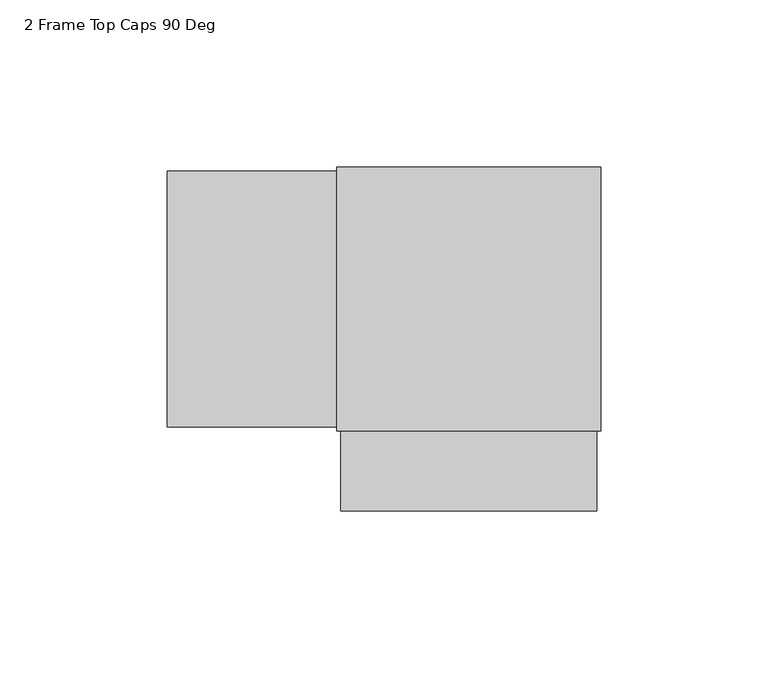
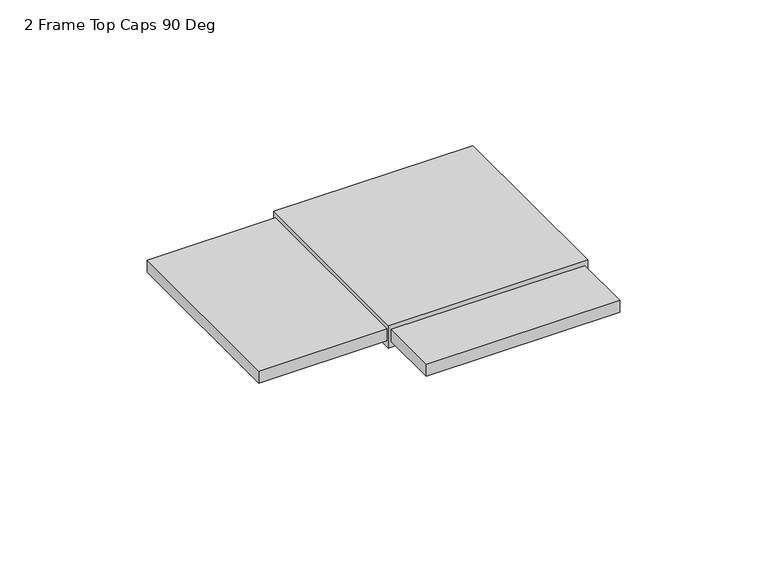
"""IFC4 building model written with IfcOpenShell, lengths in millimetres: furniture geometry, 2 Frame Top Caps 90 Deg."""

from ifc_helpers import new_model, si_unit, frame, origin, place, context, project, spatial, polyline, outline, extrude, source, transform, mapped, element, save


def furniture_2_frame_top_caps_90_deg_cc43c69f(model_context):
    return source(origin(), model_context, "Body", "SweptSolid", [
        extrude(outline(polyline([(0.7874, -102.603303), (0.7874, -78.6002986), (77.4192025, -78.6002986), (77.4192025, -102.603303), (0.7874, -102.603303)])), frame((0.0, 0.0, 729.488), z_axis=(0.0, 0.0, 1.0), x_axis=(1.0, 0.0, 0.0)), (0.0, 0.0, 1.0), 5.0799997),
        extrude(outline(polyline([(-0.3937, -0.7874), (-0.3937, -77.4192025), (-51.1937002, -77.4192025), (-51.1937002, -0.7874), (-0.3937, -0.7874)])), frame((0.0, 0.0, 729.488), z_axis=(0.0, 0.0, 1.0), x_axis=(1.0, 0.0, 0.0)), (0.0, 0.0, 1.0), 5.0799997),
        extrude(outline(polyline([(78.6002986, 0.3937), (78.6002986, -78.6002986), (-0.3937, -78.6002986), (-0.3937, 0.3937), (78.6002986, 0.3937)])), frame((0.0, 0.0, 727.075), z_axis=(0.0, 0.0, 1.0), x_axis=(1.0, 0.0, 0.0)), (0.0, 0.0, 1.0), 9.525),
    ])


if __name__ == "__main__":
    model = new_model("IFC4")
    model_context = context("Model", 3, world=origin())
    ifc_project = project(units=[si_unit("LENGTHUNIT", "METRE", prefix="MILLI")], contexts=[model_context])
    site = spatial("IfcSite", under=ifc_project)
    building = spatial("IfcBuilding", under=site)
    placement = place(None, origin())
    furniture_2_frame_top_caps_90_deg_shape = furniture_2_frame_top_caps_90_deg_cc43c69f(model_context)
    element("IfcFurniture", 1, ObjectType="2 Frame Top Caps 90 Deg", at=placement, inside=building, context=model_context, shape_type="MappedRepresentation", body=[
        mapped(furniture_2_frame_top_caps_90_deg_shape, transform((0.0, 0.0, 0.0), x_axis=(1.0, 0.0, 0.0), y_axis=(0.0, 1.0, 0.0), z_axis=(0.0, 0.0, 1.0))),
    ])
    save(model, "model.ifc")
